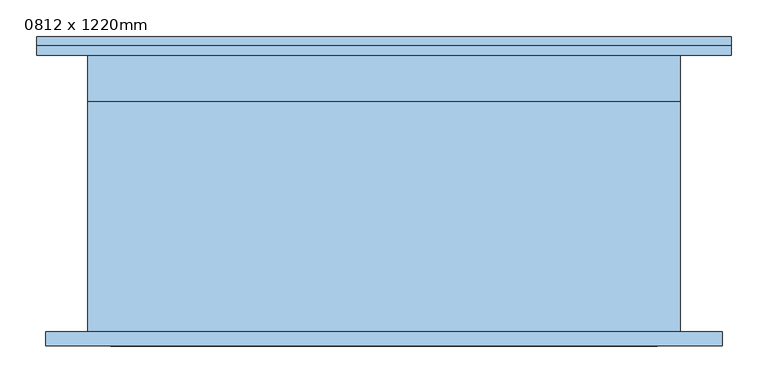
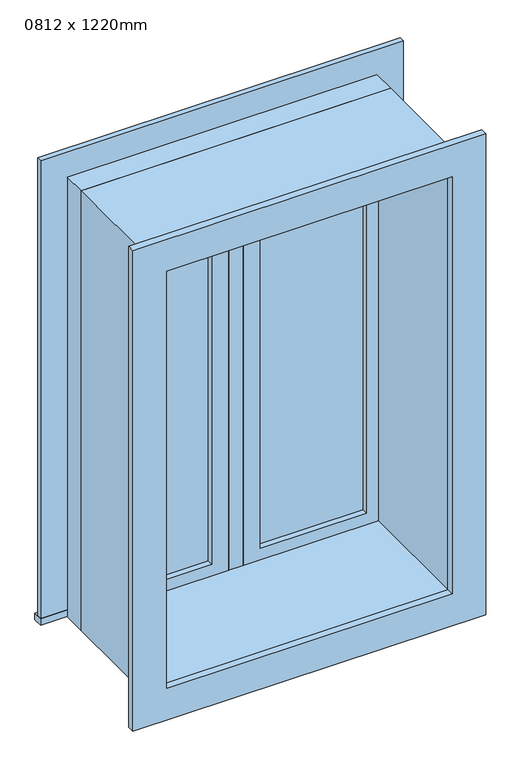
"""IFC4 building model written with IfcOpenShell, lengths in millimetres: window geometry, 0812 x 1220mm."""

from ifc_helpers import new_model, si_unit, frame, origin, place, context, project, spatial, polyline, outline, extrude, source, transform, mapped, element, save


def window_0812_x_1220mm_99a248ab(model_context):
    return source(origin(), model_context, "Body", "SweptSolid", [
        extrude(outline(polyline([(63.5, 173.675), (342.5, 173.675), (342.5, 160.975), (63.5, 160.975), (63.5, 173.675)])), frame((0.0, 0.0, 978.5), z_axis=(0.0, 0.0, 1.0), x_axis=(1.0, 0.0, 0.0)), (0.0, 0.0, 1.0), 1093.0),
        extrude(outline(polyline([(2115.95, 19.05), (934.05, 19.05), (934.05, 386.95), (2115.95, 386.95), (2115.95, 19.05)]), holes=[polyline([(2071.5, 63.5), (2071.5, 342.5), (978.5, 342.5), (978.5, 63.5), (2071.5, 63.5)])]), frame((0.0, 145.1, 0.0), z_axis=(0.0, 1.0, 0.0), x_axis=(0.0, 0.0, 1.0)), (0.0, 0.0, 1.0), 44.45),
        extrude(outline(polyline([(-475.95, 234.25), (475.95, 234.25), (475.95, 208.55), (-475.95, 208.55), (-475.95, 234.25)])), frame((0.0, 0.0, 915.0), z_axis=(0.0, 0.0, 1.0), x_axis=(1.0, 0.0, 0.0)), (0.0, 0.0, 1.0), 19.05),
        extrude(outline(polyline([(2115.95, -386.95), (2115.95, 386.95), (934.05, 386.95), (934.05, 475.95), (2204.95, 475.95), (2204.95, -475.95), (934.05, -475.95), (934.05, -386.95), (2115.95, -386.95)])), frame((0.0, 208.55, 0.0), z_axis=(0.0, 1.0, 0.0), x_axis=(0.0, 0.0, 1.0)), (0.0, 0.0, 1.0), 13.0),
        extrude(outline(polyline([(2192.25, 463.25), (2192.25, -463.25), (857.75, -463.25), (857.75, 463.25), (2192.25, 463.25)]), holes=[polyline([(2103.25, 374.25), (946.75, 374.25), (946.75, -374.25), (2103.25, -374.25), (2103.25, 374.25)])]), frame((0.0, -189.45, 0.0), z_axis=(0.0, 1.0, 0.0), x_axis=(0.0, 0.0, 1.0)), (0.0, 0.0, 1.0), 19.0),
        extrude(outline(polyline([(-63.5, 160.975), (-342.5, 160.975), (-342.5, 173.675), (-63.5, 173.675), (-63.5, 160.975)])), frame((0.0, 0.0, 978.5), z_axis=(0.0, 0.0, 1.0), x_axis=(1.0, 0.0, 0.0)), (0.0, 0.0, 1.0), 1093.0),
        extrude(outline(polyline([(2115.95, -386.95), (934.05, -386.95), (934.05, -19.05), (2115.95, -19.05), (2115.95, -386.95)]), holes=[polyline([(2071.5, -342.5), (2071.5, -63.5), (978.5, -63.5), (978.5, -342.5), (2071.5, -342.5)])]), frame((0.0, 145.1, 0.0), z_axis=(0.0, 1.0, 0.0), x_axis=(0.0, 0.0, 1.0)), (0.0, 0.0, 1.0), 44.45),
        extrude(outline(polyline([(2135.0, -406.0), (915.0, -406.0), (915.0, 406.0), (2135.0, 406.0), (2135.0, -406.0)]), holes=[polyline([(2103.25, -374.25), (2103.25, 374.25), (946.75, 374.25), (946.75, -374.25), (2103.25, -374.25)])]), frame((0.0, -170.45, 0.0), z_axis=(0.0, 1.0, 0.0), x_axis=(0.0, 0.0, 1.0)), (0.0, 0.0, 1.0), 315.55),
        extrude(outline(polyline([(2135.0, 406.0), (2135.0, -406.0), (915.0, -406.0), (915.0, 406.0), (2135.0, 406.0)]), holes=[polyline([(2115.95, 386.95), (934.05, 386.95), (934.05, -386.95), (2115.95, -386.95), (2115.95, 386.95)])]), frame((0.0, 145.1, 0.0), z_axis=(0.0, 1.0, 0.0), x_axis=(0.0, 0.0, 1.0)), (0.0, 0.0, 1.0), 63.45),
        extrude(outline(polyline([(19.05, 145.1), (-19.05, 145.1), (-19.05, 208.6), (19.05, 208.6), (19.05, 145.1)])), frame((0.0, 0.0, 934.05), z_axis=(0.0, 0.0, 1.0), x_axis=(1.0, 0.0, 0.0)), (0.0, 0.0, 1.0), 1181.9),
    ])


if __name__ == "__main__":
    model = new_model("IFC4")
    model_context = context("Model", 3, world=origin())
    ifc_project = project(units=[si_unit("LENGTHUNIT", "METRE", prefix="MILLI")], contexts=[model_context])
    site = spatial("IfcSite", under=ifc_project)
    building = spatial("IfcBuilding", under=site)
    placement = place(None, origin())
    window_0812_x_1220mm_shape = window_0812_x_1220mm_99a248ab(model_context)
    element("IfcWindow", 1, ObjectType="0812 x 1220mm", at=placement, inside=building, context=model_context, shape_type="MappedRepresentation", body=[
        mapped(window_0812_x_1220mm_shape, transform((0.0, 0.0, 0.0), x_axis=(1.0, 0.0, 0.0), y_axis=(0.0, 1.0, 0.0), z_axis=(0.0, 0.0, 1.0))),
    ])
    save(model, "model.ifc")
